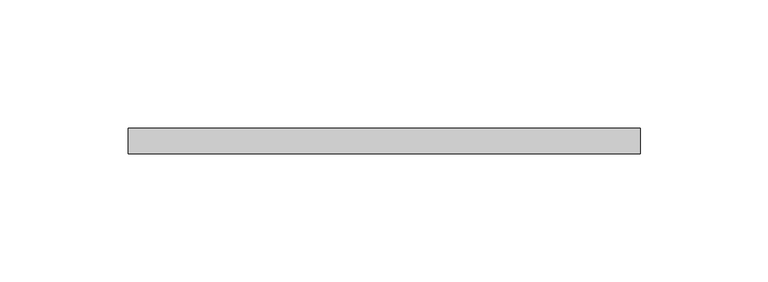
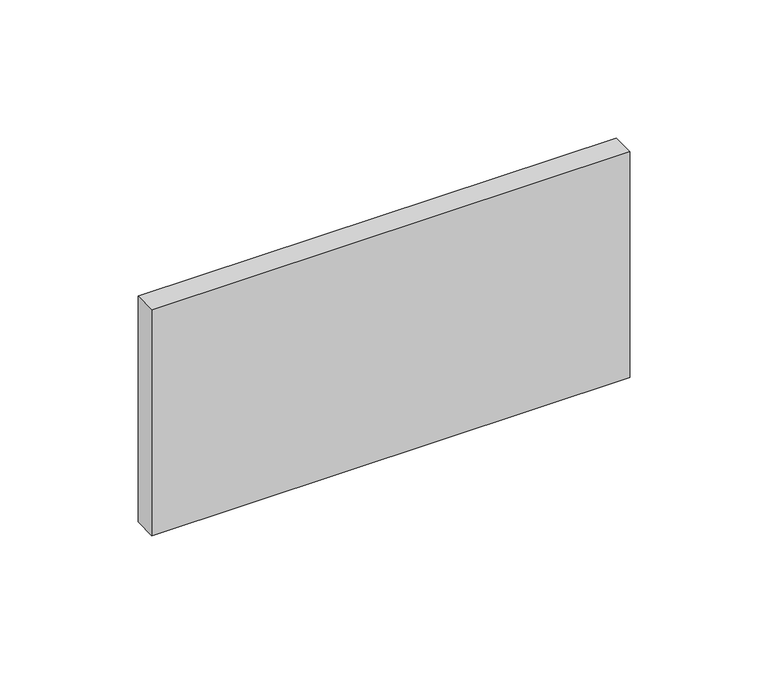
"""IFC4 building model written with IfcOpenShell, lengths in millimetres: furniture geometry."""

from ifc_helpers import new_model, si_unit, origin, origin_with_axes, place, context, project, spatial, polyline, outline, extrude, source, transform, mapped, element, save


def furniture_c99eb6ab(model_context):
    return source(origin(), model_context, "Body", "SweptSolid", [
        extrude(outline(polyline([(0.0, 0.0), (0.0, 10.0), (200.0, 10.0), (200.0, 0.0), (0.0, 0.0)])), origin_with_axes(), (0.0, 0.0, 1.0), 100.0),
    ])


if __name__ == "__main__":
    model = new_model("IFC4")
    model_context = context("Model", 3, world=origin())
    ifc_project = project(units=[si_unit("LENGTHUNIT", "METRE", prefix="MILLI")], contexts=[model_context])
    site = spatial("IfcSite", under=ifc_project)
    building = spatial("IfcBuilding", under=site)
    placement = place(None, origin())
    furniture_shape = furniture_c99eb6ab(model_context)
    element("IfcFurniture", 1, at=placement, inside=building, context=model_context, shape_type="MappedRepresentation", body=[
        mapped(furniture_shape, transform((0.0, 0.0, 0.0), x_axis=(1.0, 0.0, 0.0), y_axis=(0.0, 1.0, 0.0), z_axis=(0.0, 0.0, 1.0))),
    ])
    save(model, "model.ifc")
